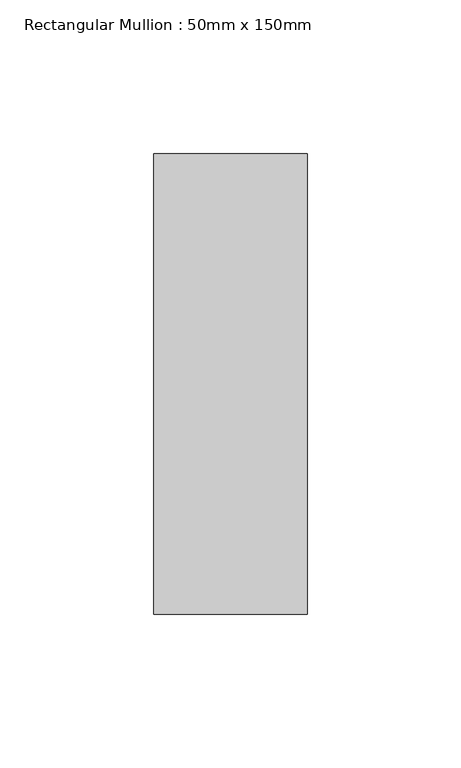
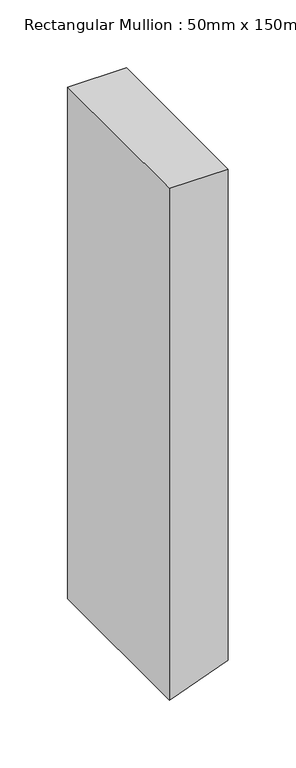
"""IFC4 building model written with IfcOpenShell, lengths in millimetres: member geometry, Rectangular Mullion : 50mm x 150mm."""

from ifc_helpers import new_model, si_unit, point, frame, frame_2d, origin, place, context, project, spatial, polyline, circle_curve, trimmed, segment, composite_curve, outline, extrude, source, transform, mapped, element, save


def rectangular_mullion_50mm_x_150mm_99fb1cfb(model_context):
    return source(origin(), model_context, "Body", "SweptSolid", [
        extrude(outline(composite_curve([segment(polyline([(0.0, 25.0), (0.0, -25.0), (-460.1561148, -25.0)]), True, "CONTINUOUS"), segment(trimmed(circle_curve(frame_2d((5997.4367521, -2351.8533559)), 6864.0186607), [point((-460.1561148, -25.0))], [point((-457.2707224, -17.007838))], False, "CARTESIAN"), True, "CONTINUOUS"), segment(trimmed(circle_curve(frame_2d((5997.4367521, -2351.8533559)), 6864.0186607), [point((-457.2707224, -17.007838))], [point((-441.9203819, 25.0))], False, "CARTESIAN"), True, "CONTINUOUS"), segment(polyline([(-441.9203819, 25.0), (0.0, 25.0)]), True, "CONTINUOUS")], self_intersect=False)), frame((0.0, -75.0, 0.0), z_axis=(0.0, 1.0, 0.0), x_axis=(0.0, 0.0, 1.0)), (0.0, 0.0, 1.0), 150.0),
    ])


if __name__ == "__main__":
    model = new_model("IFC4")
    model_context = context("Model", 3, world=origin())
    ifc_project = project(units=[si_unit("LENGTHUNIT", "METRE", prefix="MILLI")], contexts=[model_context])
    site = spatial("IfcSite", under=ifc_project)
    building = spatial("IfcBuilding", under=site)
    placement = place(None, origin())
    rectangular_mullion_50mm_x_150mm_shape = rectangular_mullion_50mm_x_150mm_99fb1cfb(model_context)
    element("IfcMember", 1, ObjectType="Rectangular Mullion : 50mm x 150mm", at=placement, inside=building, context=model_context, shape_type="MappedRepresentation", body=[
        mapped(rectangular_mullion_50mm_x_150mm_shape, transform((0.0, 0.0, 0.0), x_axis=(1.0, 0.0, 0.0), y_axis=(0.0, 1.0, 0.0), z_axis=(0.0, 0.0, 1.0))),
    ])
    save(model, "model.ifc")
